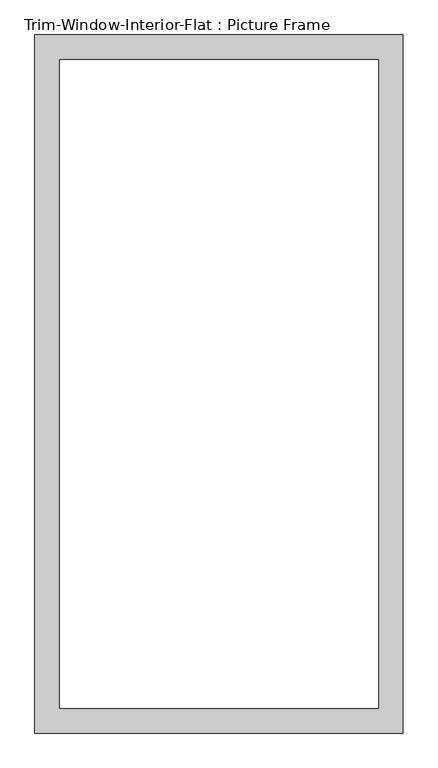
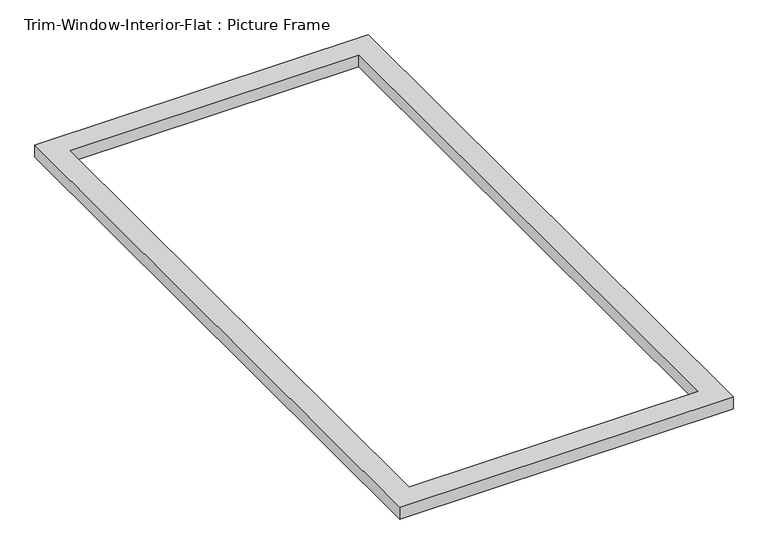
"""IFC4 building model written with IfcOpenShell, lengths in millimetres: proxy geometry, Trim-Window-Interior-Flat : Picture Frame."""

from ifc_helpers import new_model, si_unit, origin, origin_with_axes, place, context, project, spatial, polyline, outline, extrude, source, transform, mapped, element, save


def trim_window_interior_flat_picture_frame_c5ce8f4b(model_context):
    return source(origin(), model_context, "Body", "SweptSolid", [
        extrude(outline(polyline([(425.45, 44.45), (425.45, -1568.45), (-425.45, -1568.45), (-425.45, 44.45), (425.45, 44.45)]), holes=[polyline([(368.3, -12.7), (-368.3, -12.7), (-368.3, -1511.3), (368.3, -1511.3), (368.3, -12.7)])]), origin_with_axes(), (0.0, 0.0, 1.0), 31.75),
    ])


if __name__ == "__main__":
    model = new_model("IFC4")
    model_context = context("Model", 3, world=origin())
    ifc_project = project(units=[si_unit("LENGTHUNIT", "METRE", prefix="MILLI")], contexts=[model_context])
    site = spatial("IfcSite", under=ifc_project)
    building = spatial("IfcBuilding", under=site)
    placement = place(None, origin())
    trim_window_interior_flat_picture_frame_shape = trim_window_interior_flat_picture_frame_c5ce8f4b(model_context)
    element("IfcBuildingElementProxy", 1, Name="Trim-Window-Interior-Flat : Picture Frame", ObjectType="Trim-Window-Interior-Flat : Picture Frame", at=placement, inside=building, context=model_context, shape_type="MappedRepresentation", body=[
        mapped(trim_window_interior_flat_picture_frame_shape, transform((0.0, 0.0, 0.0), x_axis=(1.0, 0.0, 0.0), y_axis=(0.0, 1.0, 0.0), z_axis=(0.0, 0.0, 1.0))),
    ])
    save(model, "model.ifc")
